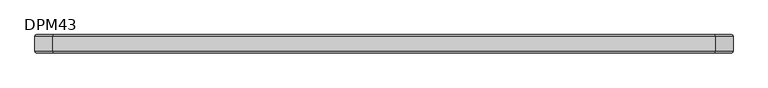
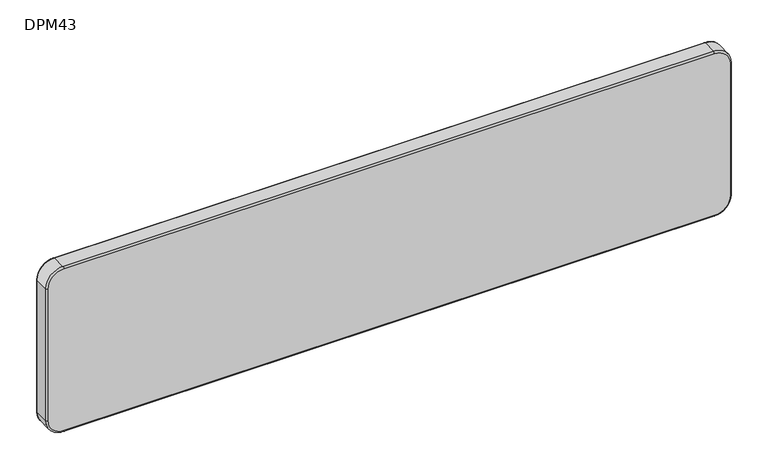
"""IFC4 building model written with IfcOpenShell, lengths in millimetres: furniture geometry, DPM43."""

from ifc_helpers import new_model, si_unit, point, frame, origin, place, context, project, spatial, circle_curve, ellipse_curve, trimmed, source, transform, mapped, element, save
from ifc_brep_helpers import plane_surface, cylinder_surface, revolved_surface, advanced_brep


def dpm43_e0d6bc63(model_context):
    return source(origin(), model_context, "Body", "AdvancedBrep", [
        advanced_brep(
        [(-522.0, -14.5, 283.0), (-547.0, -14.5, 258.0), (-547.0, -14.5, 34.0), (-522.0, -14.5, 9.0), (522.0, -14.5, 9.0), (547.0, -14.5, 34.0), (547.0, -14.5, 258.0), (522.0, -14.5, 283.0), (522.0, 14.5, 283.0), (547.0, 14.5, 258.0), (547.0, 14.5, 34.0), (522.0, 14.5, 9.0), (-522.0, 14.5, 9.0), (-547.0, 14.5, 34.0), (-547.0, 14.5, 258.0), (-522.0, 14.5, 283.0), (-522.0, -11.5, 286.0), (522.0, -11.5, 286.0), (522.0, 11.5000016, 286.0), (-522.0, 11.5, 286.0), (-550.0, -11.5, 258.0), (-550.0, 11.5, 258.0), (-550.0, -11.5, 34.0), (-550.0, 11.5, 34.0), (-522.0, -11.5, 6.0), (-522.0, 11.5, 6.0), (522.0, -11.5, 6.0), (522.0, 11.5, 6.0), (550.0, -11.5, 34.0), (550.0, 11.5, 34.0), (550.0, -11.5, 258.0), (550.0, 11.5, 258.0)],
        [
            (0, 1, circle_curve(frame((-522.0, -14.5, 258.0), z_axis=(0.0, -1.0, 0.0), x_axis=(0.0, 0.0, 1.0)), 25.0)),
            (1, 2),
            (2, 3, circle_curve(frame((-522.0, -14.5, 34.0), z_axis=(0.0, -1.0, 0.0), x_axis=(-1.0, 0.0, 0.0)), 25.0)),
            (3, 4),
            (4, 5, circle_curve(frame((522.0, -14.5, 34.0), z_axis=(0.0, -1.0, 0.0), x_axis=(0.0, 0.0, -1.0)), 25.0)),
            (5, 6),
            (6, 7, circle_curve(frame((522.0, -14.5, 258.0), z_axis=(0.0, -1.0, 0.0), x_axis=(1.0, 0.0, 0.0)), 25.0)),
            (7, 0),
            (8, 9, circle_curve(frame((522.0, 14.5, 258.0), z_axis=(0.0, 1.0, 0.0), x_axis=(0.0, 0.0, 1.0)), 25.0)),
            (9, 10),
            (10, 11, circle_curve(frame((522.0, 14.5, 34.0), z_axis=(0.0, 1.0, 0.0), x_axis=(1.0, 0.0, 0.0)), 25.0)),
            (11, 12),
            (12, 13, circle_curve(frame((-522.0, 14.5, 34.0), z_axis=(0.0, 1.0, 0.0), x_axis=(0.0, 0.0, -1.0)), 25.0)),
            (13, 14),
            (14, 15, circle_curve(frame((-522.0, 14.5, 258.0), z_axis=(0.0, 1.0, 0.0), x_axis=(-1.0, 0.0, 0.0)), 25.0)),
            (15, 8),
            (16, 17),
            (17, 18),
            (18, 19),
            (19, 16),
            (20, 16, circle_curve(frame((-522.0, -11.5, 258.0), z_axis=(0.0, 1.0, 0.0), x_axis=(1.0, 0.0, 0.0)), 28.0)),
            (19, 21, circle_curve(frame((-522.0, 11.5, 258.0), z_axis=(0.0, -1.0, 0.0), x_axis=(1.0, 0.0, 0.0)), 28.0)),
            (21, 20),
            (22, 20),
            (21, 23),
            (23, 22),
            (24, 22, circle_curve(frame((-522.0, -11.5, 34.0), z_axis=(0.0, 1.0, 0.0), x_axis=(1.0, 0.0, 0.0)), 28.0)),
            (23, 25, circle_curve(frame((-522.0, 11.5, 34.0), z_axis=(0.0, -1.0, 0.0), x_axis=(1.0, 0.0, 0.0)), 28.0)),
            (25, 24),
            (26, 24),
            (25, 27),
            (27, 26),
            (28, 26, circle_curve(frame((522.0, -11.5, 34.0), z_axis=(0.0, 1.0, 0.0), x_axis=(1.0, 0.0, 0.0)), 28.0)),
            (27, 29, circle_curve(frame((522.0, 11.5, 34.0), z_axis=(0.0, -1.0, 0.0), x_axis=(1.0, 0.0, 0.0)), 28.0)),
            (29, 28),
            (30, 28),
            (29, 31),
            (31, 30),
            (17, 30, circle_curve(frame((522.0, -11.5, 258.0), z_axis=(0.0, 1.0, 0.0), x_axis=(1.0, 0.0, 0.0)), 28.0)),
            (31, 18, circle_curve(frame((522.0, 11.5, 258.0), z_axis=(0.0, -1.0, 0.0), x_axis=(1.0, 0.0, 0.0)), 28.0)),
            (20, 1, circle_curve(frame((-547.0, -11.5, 258.0), z_axis=(0.0, 0.0, 1.0), x_axis=(0.0, -1.0, 0.0)), 3.0)),
            (0, 16, circle_curve(frame((-522.0, -11.5, 283.0), z_axis=(-1.0, 0.0, 0.0), x_axis=(0.0, -1.0, 0.0)), 3.0)),
            (22, 2, circle_curve(frame((-547.0, -11.5, 34.0), z_axis=(0.0, 0.0, 1.0), x_axis=(0.0, -1.0, 0.0)), 3.0)),
            (24, 3, circle_curve(frame((-522.0, -11.5, 9.0), z_axis=(-1.0, 0.0, 0.0), x_axis=(0.0, -1.0, 0.0)), 3.0)),
            (26, 4, circle_curve(frame((522.0, -11.5, 9.0), z_axis=(-1.0, 0.0, 0.0), x_axis=(0.0, -1.0, 0.0)), 3.0)),
            (28, 5, circle_curve(frame((547.0, -11.5, 34.0), z_axis=(0.0, 0.0, -1.0), x_axis=(0.0, -1.0, 0.0)), 3.0)),
            (30, 6, circle_curve(frame((547.0, -11.5, 258.0), z_axis=(0.0, 0.0, -1.0), x_axis=(0.0, -1.0, 0.0)), 3.0)),
            (17, 7, circle_curve(frame((522.0, -11.5, 283.0), z_axis=(1.0, 0.0, 0.0), x_axis=(0.0, -1.0, 0.0)), 3.0)),
            (31, 9, circle_curve(frame((547.0, 11.5, 258.0), z_axis=(0.0, 0.0, 1.0), x_axis=(1.0, 0.0, 0.0)), 3.0)),
            (8, 18, circle_curve(frame((522.0, 11.5, 283.0), z_axis=(1.0, 0.0, 0.0), x_axis=(0.0, 0.0, 1.0)), 3.0)),
            (29, 10, circle_curve(frame((547.0, 11.5, 34.0), z_axis=(0.0, 0.0, 1.0), x_axis=(1.0, 0.0, 0.0)), 3.0)),
            (27, 11, circle_curve(frame((522.0, 11.5, 9.0), z_axis=(1.0, 0.0, 0.0), x_axis=(0.0, 0.0, -1.0)), 3.0)),
            (25, 12, circle_curve(frame((-522.0, 11.5, 9.0), z_axis=(1.0, 0.0, 0.0), x_axis=(0.0, 0.0, -1.0)), 3.0)),
            (23, 13, circle_curve(frame((-547.0, 11.5, 34.0), z_axis=(0.0, 0.0, -1.0), x_axis=(-1.0, 0.0, 0.0)), 3.0)),
            (21, 14, circle_curve(frame((-547.0, 11.5, 258.0), z_axis=(0.0, 0.0, -1.0), x_axis=(-1.0, 0.0, 0.0)), 3.0)),
            (19, 15, circle_curve(frame((-522.0, 11.5, 283.0), z_axis=(-1.0, 0.0, 0.0), x_axis=(0.0, 0.0, 1.0)), 3.0)),
        ],
        [
            plane_surface(frame((-522.0, -14.5, 286.0), z_axis=(0.0, -1.0, 0.0), x_axis=(-1.0, 0.0, 0.0))),
            plane_surface(frame((-522.0, 14.5, 286.0), z_axis=(0.0, 1.0, 0.0), x_axis=(1.0, 0.0, 0.0))),
            plane_surface(frame((522.0, -14.5, 286.0), z_axis=(0.0, 0.0, 1.0), x_axis=(0.0, 1.0, 0.0))),
            cylinder_surface(frame((-522.0, 14.5, 258.0), z_axis=(0.0, -1.0, 0.0), x_axis=(1.0, 0.0, 0.0)), 28.0),
            plane_surface(frame((-550.0, -14.5, 258.0), z_axis=(-1.0, 0.0, 0.0), x_axis=(0.0, 1.0, 0.0))),
            cylinder_surface(frame((-522.0, 14.5, 34.0), z_axis=(0.0, -1.0, 0.0), x_axis=(1.0, 0.0, 0.0)), 28.0),
            plane_surface(frame((-522.0, -14.5, 6.0), z_axis=(0.0, 0.0, -1.0), x_axis=(0.0, 1.0, 0.0))),
            cylinder_surface(frame((522.0, 14.5, 34.0), z_axis=(0.0, -1.0, 0.0), x_axis=(1.0, 0.0, 0.0)), 28.0),
            plane_surface(frame((550.0, -14.5, 34.0), z_axis=(1.0, 0.0, 0.0), x_axis=(0.0, 1.0, 0.0))),
            cylinder_surface(frame((522.0, 14.5, 258.0), z_axis=(0.0, -1.0, 0.0), x_axis=(1.0, 0.0, 0.0)), 28.0),
            revolved_surface(trimmed(ellipse_curve(frame((-522.0, -11.5, 283.0), z_axis=(1.0, 0.0, 0.0), x_axis=(0.0, -1.0, 0.0)), 3.0, 3.0), [point((-522.0, -11.5, 286.0))], [point((-522.0, -14.5, 283.0))], True, "CARTESIAN"), (-522.0, -14.5, 258.0), (0.0, -1.0, 0.0)),
            cylinder_surface(frame((-547.0, -11.5, 258.0), z_axis=(0.0, 0.0, -1.0), x_axis=(0.0, -1.0, 0.0)), 3.0),
            revolved_surface(trimmed(ellipse_curve(frame((-547.0, -11.5, 34.0), z_axis=(0.0, 0.0, 1.0), x_axis=(0.0, -1.0, 0.0)), 3.0, 3.0), [point((-550.0, -11.5, 34.0))], [point((-547.0, -14.5, 34.0))], True, "CARTESIAN"), (-522.0, -14.5, 34.0), (0.0, -1.0, 0.0)),
            cylinder_surface(frame((-522.0, -11.5, 9.0), z_axis=(1.0, 0.0, 0.0), x_axis=(0.0, -1.0, 0.0)), 3.0),
            revolved_surface(trimmed(ellipse_curve(frame((522.0, -11.5, 9.0), z_axis=(-1.0, 0.0, 0.0), x_axis=(0.0, -1.0, 0.0)), 3.0, 3.0), [point((522.0, -11.5, 6.0))], [point((522.0, -14.5, 9.0))], True, "CARTESIAN"), (522.0, -14.5, 34.0), (0.0, -1.0, 0.0)),
            cylinder_surface(frame((547.0, -11.5, 34.0), z_axis=(0.0, 0.0, 1.0), x_axis=(0.0, -1.0, 0.0)), 3.0),
            revolved_surface(trimmed(ellipse_curve(frame((547.0, -11.5, 258.0), z_axis=(0.0, 0.0, -1.0), x_axis=(0.0, -1.0, 0.0)), 3.0, 3.0), [point((550.0, -11.5, 258.0))], [point((547.0, -14.5, 258.0))], True, "CARTESIAN"), (522.0, -14.5, 258.0), (0.0, -1.0, 0.0)),
            cylinder_surface(frame((522.0, -11.5, 283.0), z_axis=(-1.0, 0.0, 0.0), x_axis=(0.0, -1.0, 0.0)), 3.0),
            revolved_surface(trimmed(ellipse_curve(frame((522.0, 11.5, 283.0), z_axis=(-1.0, 0.0, 0.0), x_axis=(0.0, 0.0, 1.0)), 3.0, 3.0), [point((522.0, 11.5, 286.0))], [point((522.0, 14.5, 283.0))], True, "CARTESIAN"), (522.0, 0.0, 258.0), (0.0, 1.0, 0.0)),
            cylinder_surface(frame((547.0, 11.5, 258.0), z_axis=(0.0, 0.0, -1.0), x_axis=(1.0, 0.0, 0.0)), 3.0),
            revolved_surface(trimmed(ellipse_curve(frame((547.0, 11.5, 34.0), z_axis=(0.0, 0.0, 1.0), x_axis=(1.0, 0.0, 0.0)), 3.0, 3.0), [point((550.0, 11.5, 34.0))], [point((547.0, 14.5, 34.0))], True, "CARTESIAN"), (522.0, 0.0, 34.0), (0.0, 1.0, 0.0)),
            cylinder_surface(frame((522.0, 11.5, 9.0), z_axis=(-1.0, 0.0, 0.0), x_axis=(0.0, 0.0, -1.0)), 3.0),
            revolved_surface(trimmed(ellipse_curve(frame((-522.0, 11.5, 9.0), z_axis=(1.0, 0.0, 0.0), x_axis=(0.0, 0.0, -1.0)), 3.0, 3.0), [point((-522.0, 11.5, 6.0))], [point((-522.0, 14.5, 9.0))], True, "CARTESIAN"), (-522.0, 0.0, 34.0), (0.0, 1.0, 0.0)),
            cylinder_surface(frame((-547.0, 11.5, 34.0), z_axis=(0.0, 0.0, 1.0), x_axis=(-1.0, 0.0, 0.0)), 3.0),
            revolved_surface(trimmed(ellipse_curve(frame((-547.0, 11.5, 258.0), z_axis=(0.0, 0.0, -1.0), x_axis=(-1.0, 0.0, 0.0)), 3.0, 3.0), [point((-550.0, 11.5, 258.0))], [point((-547.0, 14.5, 258.0))], True, "CARTESIAN"), (-522.0, 0.0, 258.0), (0.0, 1.0, 0.0)),
            cylinder_surface(frame((-522.0, 11.5, 283.0), z_axis=(1.0, 0.0, 0.0), x_axis=(0.0, 0.0, 1.0)), 3.0),
        ],
        [
            (0, [[1, 2, 3, 4, 5, 6, 7, 8]]),
            (1, [[9, 10, 11, 12, 13, 14, 15, 16]]),
            (2, [[17, 18, 19, 20]]),
            (3, [[21, -20, 22, 23]]),
            (4, [[24, -23, 25, 26]]),
            (5, [[27, -26, 28, 29]]),
            (6, [[30, -29, 31, 32]]),
            (7, [[33, -32, 34, 35]]),
            (8, [[36, -35, 37, 38]]),
            (9, [[39, -38, 40, -18]]),
            (10, [[41, -1, 42, -21]]),
            (11, [[-41, -24, 43, -2]]),
            (12, [[-43, -27, 44, -3]]),
            (13, [[-44, -30, 45, -4]]),
            (14, [[-45, -33, 46, -5]]),
            (15, [[-46, -36, 47, -6]]),
            (16, [[-47, -39, 48, -7]]),
            (17, [[-42, -8, -48, -17]]),
            (18, [[49, -9, 50, -40]]),
            (19, [[-49, -37, 51, -10]]),
            (20, [[-51, -34, 52, -11]]),
            (21, [[-52, -31, 53, -12]]),
            (22, [[-53, -28, 54, -13]]),
            (23, [[-54, -25, 55, -14]]),
            (24, [[-55, -22, 56, -15]]),
            (25, [[-50, -16, -56, -19]]),
        ],
    ),
    ])


if __name__ == "__main__":
    model = new_model("IFC4")
    model_context = context("Model", 3, world=origin())
    ifc_project = project(units=[si_unit("LENGTHUNIT", "METRE", prefix="MILLI")], contexts=[model_context])
    site = spatial("IfcSite", under=ifc_project)
    building = spatial("IfcBuilding", under=site)
    placement = place(None, origin())
    dpm43_shape = dpm43_e0d6bc63(model_context)
    element("IfcFurniture", 1, ObjectType="DPM43", at=placement, inside=building, context=model_context, shape_type="MappedRepresentation", body=[
        mapped(dpm43_shape, transform((0.0, 0.0, 0.0), x_axis=(1.0, 0.0, 0.0), y_axis=(0.0, 1.0, 0.0), z_axis=(0.0, 0.0, 1.0))),
    ])
    save(model, "model.ifc")
